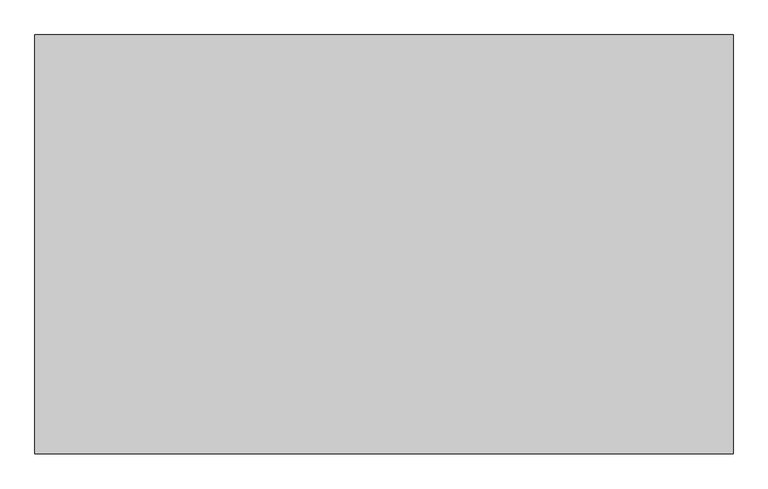
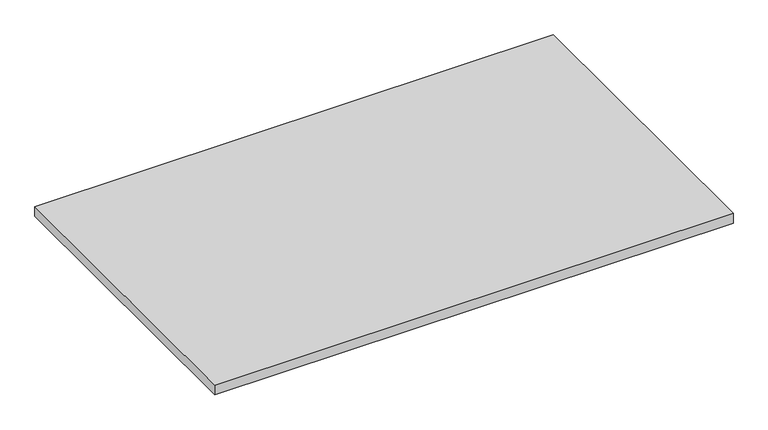
"""IFC4 building model written with IfcOpenShell, lengths in millimetres: furniture geometry."""

from ifc_helpers import new_model, si_unit, frame, origin, place, context, project, spatial, polyline, outline, extrude, source, transform, mapped, element, save


def furniture_d276f7b5(model_context):
    return source(origin(), model_context, "Body", "SweptSolid", [
        extrude(outline(polyline([(762.0, 457.2), (762.0, -457.2), (-762.0, -457.2), (-762.0, 457.2), (762.0, 457.2)])), frame((0.0, 0.0, 706.4375), z_axis=(0.0, 0.0, 1.0), x_axis=(1.0, 0.0, 0.0)), (0.0, 0.0, 1.0), 30.1625),
    ])


if __name__ == "__main__":
    model = new_model("IFC4")
    model_context = context("Model", 3, world=origin())
    ifc_project = project(units=[si_unit("LENGTHUNIT", "METRE", prefix="MILLI")], contexts=[model_context])
    site = spatial("IfcSite", under=ifc_project)
    building = spatial("IfcBuilding", under=site)
    placement = place(None, origin())
    furniture_shape = furniture_d276f7b5(model_context)
    element("IfcFurniture", 1, at=placement, inside=building, context=model_context, shape_type="MappedRepresentation", body=[
        mapped(furniture_shape, transform((0.0, 0.0, 0.0), x_axis=(1.0, 0.0, 0.0), y_axis=(0.0, 1.0, 0.0), z_axis=(0.0, 0.0, 1.0))),
    ])
    save(model, "model.ifc")
